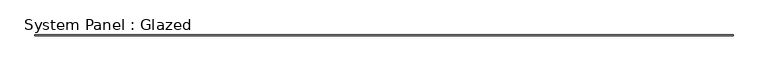
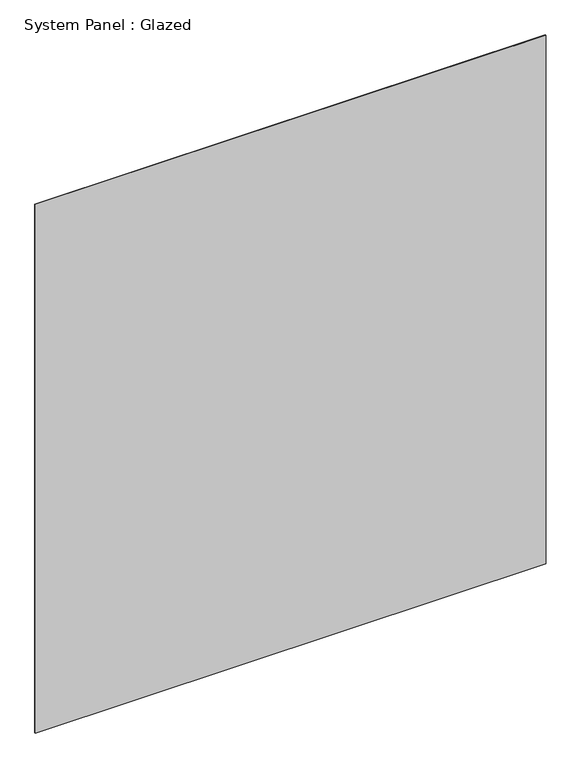
"""IFC4 building model written with IfcOpenShell, lengths in millimetres: plate geometry, System Panel : Glazed."""

from ifc_helpers import new_model, si_unit, origin, origin_with_axes, place, context, project, spatial, polyline, outline, extrude, source, transform, mapped, element, save


def system_panel_glazed_bfc9a46d(model_context):
    return source(origin(), model_context, "Body", "SweptSolid", [
        extrude(outline(polyline([(9753.6, 19.05), (-9753.6, 19.05), (-9753.6, 44.45), (9753.6, 44.45), (9753.6, 19.05)])), origin_with_axes(), (0.0, 0.0, 1.0), 21336.0),
    ])


if __name__ == "__main__":
    model = new_model("IFC4")
    model_context = context("Model", 3, world=origin())
    ifc_project = project(units=[si_unit("LENGTHUNIT", "METRE", prefix="MILLI")], contexts=[model_context])
    site = spatial("IfcSite", under=ifc_project)
    building = spatial("IfcBuilding", under=site)
    placement = place(None, origin())
    system_panel_glazed_shape = system_panel_glazed_bfc9a46d(model_context)
    element("IfcPlate", 1, ObjectType="System Panel : Glazed", at=placement, inside=building, context=model_context, shape_type="MappedRepresentation", body=[
        mapped(system_panel_glazed_shape, transform((0.0, 0.0, 0.0), x_axis=(1.0, 0.0, 0.0), y_axis=(0.0, 1.0, 0.0), z_axis=(0.0, 0.0, 1.0))),
    ])
    save(model, "model.ifc")
